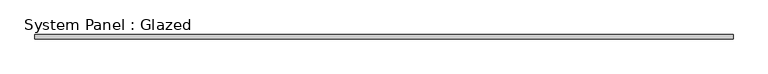
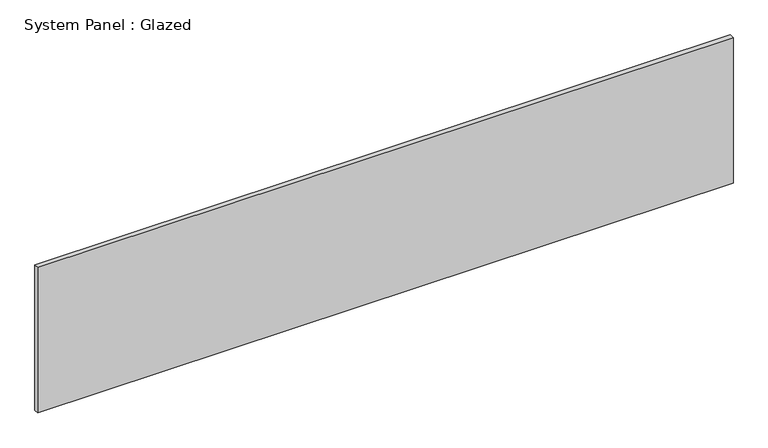
"""IFC4 building model written with IfcOpenShell, lengths in millimetres: plate geometry, System Panel : Glazed."""

from ifc_helpers import new_model, si_unit, origin, origin_with_axes, place, context, project, spatial, polyline, outline, extrude, source, transform, mapped, element, save


def system_panel_glazed_26682ed9(model_context):
    return source(origin(), model_context, "Body", "SweptSolid", [
        extrude(outline(polyline([(1920.2764117, 24.5), (-1920.2764117, 24.5), (-1920.2764117, 49.5), (1920.2764117, 49.5), (1920.2764117, 24.5)])), origin_with_axes(), (0.0, 0.0, 1.0), 850.0),
    ])


if __name__ == "__main__":
    model = new_model("IFC4")
    model_context = context("Model", 3, world=origin())
    ifc_project = project(units=[si_unit("LENGTHUNIT", "METRE", prefix="MILLI")], contexts=[model_context])
    site = spatial("IfcSite", under=ifc_project)
    building = spatial("IfcBuilding", under=site)
    placement = place(None, origin())
    system_panel_glazed_shape = system_panel_glazed_26682ed9(model_context)
    element("IfcPlate", 1, ObjectType="System Panel : Glazed", at=placement, inside=building, context=model_context, shape_type="MappedRepresentation", body=[
        mapped(system_panel_glazed_shape, transform((0.0, 0.0, 0.0), x_axis=(1.0, 0.0, 0.0), y_axis=(0.0, 1.0, 0.0), z_axis=(0.0, 0.0, 1.0))),
    ])
    save(model, "model.ifc")
